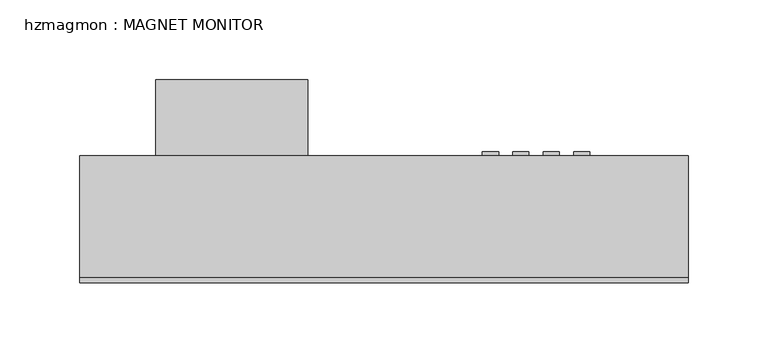
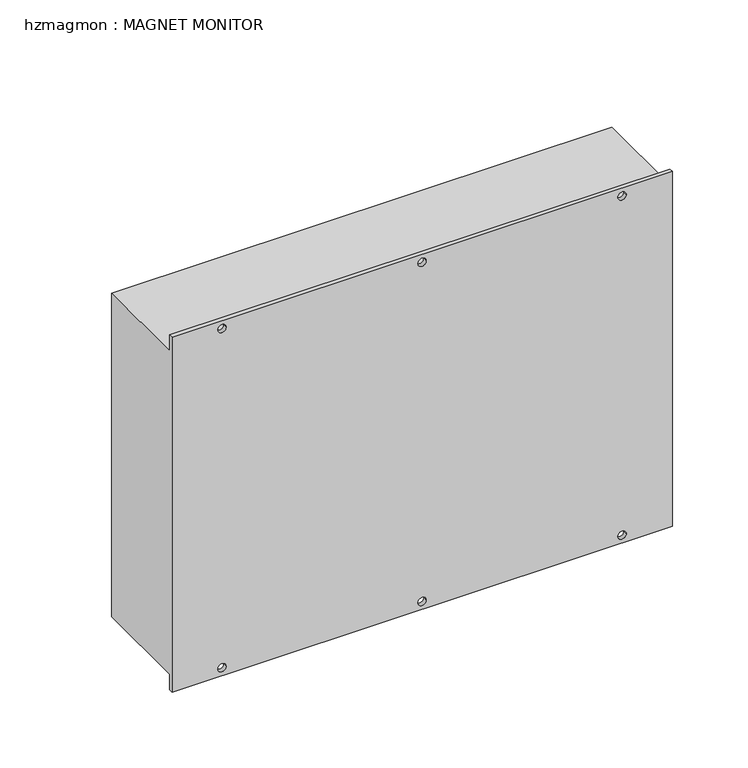
"""IFC4 building model written with IfcOpenShell, lengths in millimetres: proxy geometry, hzmagmon : MAGNET MONITOR."""

from ifc_helpers import new_model, si_unit, frame, origin, place, context, project, spatial, polyline, circle_curve, outline, extrude, source, transform, mapped, element, save
from ifc_brep_helpers import plane_surface, revolved_surface, advanced_brep


def hzmagmon_magnet_monitor_0e3613af(model_context):
    return source(origin(), model_context, "Body", "SolidModel", [
        advanced_brep(
        [(190.5, 0.0, 1682.75), (190.5, 0.0, 1397.0), (190.5, 3.175, 1397.0), (190.5, 3.175, 1409.7), (190.5, 79.375, 1409.7), (190.5, 79.375, 1670.05), (190.5, 3.175, 1670.05), (190.5, 3.175, 1682.75), (-190.5, 0.0, 1682.75), (-190.5, 3.175, 1682.75), (-190.5, 3.175, 1670.05), (-190.5, 79.375, 1670.05), (-190.5, 79.375, 1409.7), (-190.5, 3.175, 1409.7), (-190.5, 3.175, 1397.0), (-190.5, 0.0, 1397.0), (-149.225, 3.175, 1676.4), (-155.575, 3.175, 1676.4), (3.175, 3.175, 1676.4), (-3.175, 3.175, 1676.4), (149.225, 3.175, 1676.4), (155.575, 3.175, 1676.4), (149.225, 3.175, 1403.35), (155.575, 3.175, 1403.35), (3.175, 3.175, 1403.35), (-3.175, 3.175, 1403.35), (-149.225, 3.175, 1403.35), (-155.575, 3.175, 1403.35), (-155.575, 0.0, 1676.4), (-149.225, 0.0, 1676.4), (-3.175, 0.0, 1676.4), (3.175, 0.0, 1676.4), (155.575, 0.0, 1676.4), (149.225, 0.0, 1676.4), (155.575, 0.0, 1403.35), (149.225, 0.0, 1403.35), (-3.175, 0.0, 1403.35), (3.175, 0.0, 1403.35), (-155.575, 0.0, 1403.35), (-149.225, 0.0, 1403.35), (130.175, 79.375, 1574.8), (130.175, 79.375, 1593.85), (60.325, 79.375, 1593.85), (60.325, 79.375, 1574.8), (73.025, 79.375, 1568.45), (60.325, 79.375, 1568.45), (60.325, 79.375, 1555.75), (73.025, 79.375, 1555.75), (79.375, 79.375, 1555.75), (92.075, 79.375, 1555.75), (92.075, 79.375, 1568.45), (79.375, 79.375, 1568.45), (98.425, 79.375, 1555.75), (111.125, 79.375, 1555.75), (111.125, 79.375, 1568.45), (98.425, 79.375, 1568.45), (117.475, 79.375, 1555.75), (130.175, 79.375, 1555.75), (130.175, 79.375, 1568.45), (117.475, 79.375, 1568.45), (117.475, 79.375, 1536.7), (130.175, 79.375, 1536.7), (130.175, 79.375, 1549.4), (117.475, 79.375, 1549.4), (111.125, 79.375, 1549.4), (98.425, 79.375, 1549.4), (98.425, 79.375, 1536.7), (111.125, 79.375, 1536.7), (92.075, 79.375, 1549.4), (79.375, 79.375, 1549.4), (79.375, 79.375, 1536.7), (92.075, 79.375, 1536.7), (73.025, 79.375, 1549.4), (60.325, 79.375, 1549.4), (60.325, 79.375, 1536.7), (73.025, 79.375, 1536.7), (73.025, 79.375, 1530.35), (60.325, 79.375, 1530.35), (60.325, 79.375, 1517.65), (73.025, 79.375, 1517.65), (73.025, 79.375, 1511.3), (60.325, 79.375, 1511.3), (60.325, 79.375, 1498.6), (73.025, 79.375, 1498.6), (79.375, 79.375, 1498.6), (92.075, 79.375, 1498.6), (92.075, 79.375, 1511.3), (79.375, 79.375, 1511.3), (98.425, 79.375, 1498.6), (111.125, 79.375, 1498.6), (111.125, 79.375, 1511.3), (98.425, 79.375, 1511.3), (92.075, 79.375, 1530.35), (79.375, 79.375, 1530.35), (79.375, 79.375, 1517.65), (92.075, 79.375, 1517.65), (98.425, 79.375, 1517.65), (111.125, 79.375, 1517.65), (111.125, 79.375, 1530.35), (98.425, 79.375, 1530.35), (117.475, 79.375, 1517.65), (130.175, 79.375, 1517.65), (130.175, 79.375, 1530.35), (117.475, 79.375, 1530.35), (117.475, 79.375, 1511.3), (117.475, 79.375, 1498.6), (130.175, 79.375, 1498.6), (130.175, 79.375, 1511.3), (-142.875, 79.375, 1562.1), (-142.875, 79.375, 1504.95), (-47.625, 79.375, 1504.95), (-47.625, 79.375, 1562.1), (60.325, 76.5525764, 1574.8), (60.325, 76.5525764, 1593.85), (130.175, 76.5525764, 1593.85), (130.175, 76.5525764, 1574.8), (73.025, 76.5525764, 1555.75), (60.325, 76.5525764, 1555.75), (60.325, 76.5525764, 1568.45), (73.025, 76.5525764, 1568.45), (79.375, 76.5525764, 1568.45), (92.075, 76.5525764, 1568.45), (92.075, 76.5525764, 1555.75), (79.375, 76.5525764, 1555.75), (98.425, 76.5525764, 1568.45), (111.125, 76.5525764, 1568.45), (111.125, 76.5525764, 1555.75), (98.425, 76.5525764, 1555.75), (117.475, 76.5525764, 1568.45), (130.175, 76.5525764, 1568.45), (130.175, 76.5525764, 1555.75), (117.475, 76.5525764, 1555.75), (117.475, 76.5525764, 1549.4), (130.175, 76.5525764, 1549.4), (130.175, 76.5525764, 1536.7), (117.475, 76.5525764, 1536.7), (111.125, 76.5525764, 1536.7), (98.425, 76.5525764, 1536.7), (98.425, 76.5525764, 1549.4), (111.125, 76.5525764, 1549.4), (92.075, 76.5525764, 1536.7), (79.375, 76.5525764, 1536.7), (79.375, 76.5525764, 1549.4), (92.075, 76.5525764, 1549.4), (73.025, 76.5525764, 1536.7), (60.325, 76.5525764, 1536.7), (60.325, 76.5525764, 1549.4), (73.025, 76.5525764, 1549.4), (73.025, 76.5525764, 1517.65), (60.325, 76.5525764, 1517.65), (60.325, 76.5525764, 1530.35), (73.025, 76.5525764, 1530.35), (73.025, 76.5525764, 1498.6), (60.325, 76.5525764, 1498.6), (60.325, 76.5525764, 1511.3), (73.025, 76.5525764, 1511.3), (79.375, 76.5525764, 1511.3), (92.075, 76.5525764, 1511.3), (92.075, 76.5525764, 1498.6), (79.375, 76.5525764, 1498.6), (98.425, 76.5525764, 1511.3), (111.125, 76.5525764, 1511.3), (111.125, 76.5525764, 1498.6), (98.425, 76.5525764, 1498.6), (92.075, 76.5525764, 1517.65), (79.375, 76.5525764, 1517.65), (79.375, 76.5525764, 1530.35), (92.075, 76.5525764, 1530.35), (98.425, 76.5525764, 1530.35), (111.125, 76.5525764, 1530.35), (111.125, 76.5525764, 1517.65), (98.425, 76.5525764, 1517.65), (117.475, 76.5525764, 1530.35), (130.175, 76.5525764, 1530.35), (130.175, 76.5525764, 1517.65), (117.475, 76.5525764, 1517.65), (130.175, 76.5525764, 1511.3), (130.175, 76.5525764, 1498.6), (117.475, 76.5525764, 1498.6), (117.475, 76.5525764, 1511.3), (-47.625, 127.0, 1562.1), (-47.625, 127.0, 1504.95), (-142.875, 127.0, 1504.95), (-142.875, 127.0, 1562.1)],
        [
            (0, 1),
            (1, 2),
            (2, 3),
            (3, 4),
            (4, 5),
            (5, 6),
            (6, 7),
            (7, 0),
            (8, 9),
            (9, 10),
            (10, 11),
            (11, 12),
            (12, 13),
            (13, 14),
            (14, 15),
            (15, 8),
            (7, 9),
            (8, 0),
            (6, 10),
            (16, 17, circle_curve(frame((-152.4, 3.175, 1676.4), z_axis=(0.0, -1.0, 0.0), x_axis=(1.0, 0.0, 0.0)), 3.175)),
            (17, 16, circle_curve(frame((-152.4, 3.175, 1676.4), z_axis=(0.0, -1.0, 0.0), x_axis=(1.0, 0.0, 0.0)), 3.175)),
            (18, 19, circle_curve(frame((0.0, 3.175, 1676.4), z_axis=(0.0, -1.0, 0.0), x_axis=(1.0, 0.0, 0.0)), 3.175)),
            (19, 18, circle_curve(frame((0.0, 3.175, 1676.4), z_axis=(0.0, -1.0, 0.0), x_axis=(1.0, 0.0, 0.0)), 3.175)),
            (20, 21, circle_curve(frame((152.4, 3.175, 1676.4), z_axis=(0.0, -1.0, 0.0), x_axis=(-1.0, 0.0, 0.0)), 3.175)),
            (21, 20, circle_curve(frame((152.4, 3.175, 1676.4), z_axis=(0.0, -1.0, 0.0), x_axis=(-1.0, 0.0, 0.0)), 3.175)),
            (13, 3),
            (2, 14),
            (22, 23, circle_curve(frame((152.4, 3.175, 1403.35), z_axis=(0.0, -1.0, 0.0), x_axis=(-1.0, 0.0, 0.0)), 3.175)),
            (23, 22, circle_curve(frame((152.4, 3.175, 1403.35), z_axis=(0.0, -1.0, 0.0), x_axis=(-1.0, 0.0, 0.0)), 3.175)),
            (24, 25, circle_curve(frame((0.0, 3.175, 1403.35), z_axis=(0.0, -1.0, 0.0), x_axis=(1.0, 0.0, 0.0)), 3.175)),
            (25, 24, circle_curve(frame((0.0, 3.175, 1403.35), z_axis=(0.0, -1.0, 0.0), x_axis=(1.0, 0.0, 0.0)), 3.175)),
            (26, 27, circle_curve(frame((-152.4, 3.175, 1403.35), z_axis=(0.0, -1.0, 0.0), x_axis=(1.0, 0.0, 0.0)), 3.175)),
            (27, 26, circle_curve(frame((-152.4, 3.175, 1403.35), z_axis=(0.0, -1.0, 0.0), x_axis=(1.0, 0.0, 0.0)), 3.175)),
            (1, 15),
            (28, 29, circle_curve(frame((-152.4, 0.0, 1676.4), z_axis=(0.0, 1.0, 0.0), x_axis=(1.0, 0.0, 0.0)), 3.175)),
            (29, 28, circle_curve(frame((-152.4, 0.0, 1676.4), z_axis=(0.0, 1.0, 0.0), x_axis=(1.0, 0.0, 0.0)), 3.175)),
            (30, 31, circle_curve(frame((0.0, 0.0, 1676.4), z_axis=(0.0, 1.0, 0.0), x_axis=(1.0, 0.0, 0.0)), 3.175)),
            (31, 30, circle_curve(frame((0.0, 0.0, 1676.4), z_axis=(0.0, 1.0, 0.0), x_axis=(1.0, 0.0, 0.0)), 3.175)),
            (32, 33, circle_curve(frame((152.4, 0.0, 1676.4), z_axis=(0.0, 1.0, 0.0), x_axis=(-1.0, 0.0, 0.0)), 3.175)),
            (33, 32, circle_curve(frame((152.4, 0.0, 1676.4), z_axis=(0.0, 1.0, 0.0), x_axis=(-1.0, 0.0, 0.0)), 3.175)),
            (34, 35, circle_curve(frame((152.4, 0.0, 1403.35), z_axis=(0.0, 1.0, 0.0), x_axis=(-1.0, 0.0, 0.0)), 3.175)),
            (35, 34, circle_curve(frame((152.4, 0.0, 1403.35), z_axis=(0.0, 1.0, 0.0), x_axis=(-1.0, 0.0, 0.0)), 3.175)),
            (36, 37, circle_curve(frame((0.0, 0.0, 1403.35), z_axis=(0.0, 1.0, 0.0), x_axis=(1.0, 0.0, 0.0)), 3.175)),
            (37, 36, circle_curve(frame((0.0, 0.0, 1403.35), z_axis=(0.0, 1.0, 0.0), x_axis=(1.0, 0.0, 0.0)), 3.175)),
            (38, 39, circle_curve(frame((-152.4, 0.0, 1403.35), z_axis=(0.0, 1.0, 0.0), x_axis=(1.0, 0.0, 0.0)), 3.175)),
            (39, 38, circle_curve(frame((-152.4, 0.0, 1403.35), z_axis=(0.0, 1.0, 0.0), x_axis=(1.0, 0.0, 0.0)), 3.175)),
            (4, 12),
            (11, 5),
            (40, 41),
            (41, 42),
            (42, 43),
            (43, 40),
            (44, 45),
            (45, 46),
            (46, 47),
            (47, 44),
            (48, 49),
            (49, 50),
            (50, 51),
            (51, 48),
            (52, 53),
            (53, 54),
            (54, 55),
            (55, 52),
            (56, 57),
            (57, 58),
            (58, 59),
            (59, 56),
            (60, 61),
            (61, 62),
            (62, 63),
            (63, 60),
            (64, 65),
            (65, 66),
            (66, 67),
            (67, 64),
            (68, 69),
            (69, 70),
            (70, 71),
            (71, 68),
            (72, 73),
            (73, 74),
            (74, 75),
            (75, 72),
            (76, 77),
            (77, 78),
            (78, 79),
            (79, 76),
            (80, 81),
            (81, 82),
            (82, 83),
            (83, 80),
            (84, 85),
            (85, 86),
            (86, 87),
            (87, 84),
            (88, 89),
            (89, 90),
            (90, 91),
            (91, 88),
            (92, 93),
            (93, 94),
            (94, 95),
            (95, 92),
            (96, 97),
            (97, 98),
            (98, 99),
            (99, 96),
            (100, 101),
            (101, 102),
            (102, 103),
            (103, 100),
            (104, 105),
            (105, 106),
            (106, 107),
            (107, 104),
            (108, 109),
            (109, 110),
            (110, 111),
            (111, 108),
            (112, 113),
            (113, 114),
            (114, 115),
            (115, 112),
            (116, 117),
            (117, 118),
            (118, 119),
            (119, 116),
            (120, 121),
            (121, 122),
            (122, 123),
            (123, 120),
            (124, 125),
            (125, 126),
            (126, 127),
            (127, 124),
            (128, 129),
            (129, 130),
            (130, 131),
            (131, 128),
            (132, 133),
            (133, 134),
            (134, 135),
            (135, 132),
            (136, 137),
            (137, 138),
            (138, 139),
            (139, 136),
            (140, 141),
            (141, 142),
            (142, 143),
            (143, 140),
            (144, 145),
            (145, 146),
            (146, 147),
            (147, 144),
            (148, 149),
            (149, 150),
            (150, 151),
            (151, 148),
            (152, 153),
            (153, 154),
            (154, 155),
            (155, 152),
            (156, 157),
            (157, 158),
            (158, 159),
            (159, 156),
            (160, 161),
            (161, 162),
            (162, 163),
            (163, 160),
            (164, 165),
            (165, 166),
            (166, 167),
            (167, 164),
            (168, 169),
            (169, 170),
            (170, 171),
            (171, 168),
            (172, 173),
            (173, 174),
            (174, 175),
            (175, 172),
            (176, 177),
            (177, 178),
            (178, 179),
            (179, 176),
            (115, 40),
            (43, 112),
            (114, 41),
            (113, 42),
            (119, 44),
            (47, 116),
            (118, 45),
            (117, 46),
            (123, 48),
            (51, 120),
            (122, 49),
            (121, 50),
            (127, 52),
            (55, 124),
            (126, 53),
            (125, 54),
            (131, 56),
            (59, 128),
            (130, 57),
            (129, 58),
            (135, 60),
            (63, 132),
            (134, 61),
            (133, 62),
            (139, 64),
            (67, 136),
            (138, 65),
            (137, 66),
            (143, 68),
            (71, 140),
            (142, 69),
            (141, 70),
            (147, 72),
            (75, 144),
            (146, 73),
            (145, 74),
            (151, 76),
            (79, 148),
            (150, 77),
            (149, 78),
            (155, 80),
            (83, 152),
            (154, 81),
            (153, 82),
            (159, 84),
            (87, 156),
            (158, 85),
            (157, 86),
            (163, 88),
            (91, 160),
            (162, 89),
            (161, 90),
            (167, 92),
            (95, 164),
            (166, 93),
            (165, 94),
            (171, 96),
            (99, 168),
            (170, 97),
            (169, 98),
            (175, 100),
            (103, 172),
            (174, 101),
            (173, 102),
            (179, 104),
            (107, 176),
            (178, 105),
            (177, 106),
            (180, 181),
            (181, 182),
            (182, 183),
            (183, 180),
            (183, 108),
            (111, 180),
            (182, 109),
            (181, 110),
            (17, 28),
            (29, 16),
            (19, 30),
            (31, 18),
            (21, 32),
            (33, 20),
            (23, 34),
            (35, 22),
            (25, 36),
            (37, 24),
            (27, 38),
            (39, 26),
        ],
        [
            plane_surface(frame((190.5, 3.175, 1682.75), z_axis=(1.0, 0.0, 0.0), x_axis=(0.0, 1.0, 0.0))),
            plane_surface(frame((-190.5, 3.175, 1682.75), z_axis=(-1.0, 0.0, 0.0), x_axis=(0.0, -1.0, 0.0))),
            plane_surface(frame((190.5, 0.0, 1682.75), z_axis=(0.0, 0.0, 1.0), x_axis=(-1.0, 0.0, 0.0))),
            plane_surface(frame((190.5, 3.175, 1682.75), z_axis=(0.0, 1.0, 0.0), x_axis=(-1.0, 0.0, 0.0))),
            plane_surface(frame((190.5, 3.175, 1397.0), z_axis=(0.0, 0.0, -1.0), x_axis=(-1.0, 0.0, 0.0))),
            plane_surface(frame((190.5, 0.0, 1397.0), z_axis=(0.0, -1.0, 0.0), x_axis=(-1.0, 0.0, 0.0))),
            plane_surface(frame((-190.5, 79.375, 1670.05), z_axis=(0.0, 1.0, 0.0), x_axis=(-1.0, 0.0, 0.0))),
            plane_surface(frame((190.5, 79.375, 1670.05), z_axis=(0.0, 0.0, 1.0), x_axis=(0.0, -1.0, 0.0))),
            plane_surface(frame((-190.5, 79.375, 1409.7), z_axis=(0.0, 0.0, -1.0), x_axis=(0.0, -1.0, 0.0))),
            plane_surface(frame((130.175, 76.5525764, 1574.8), z_axis=(0.0, 1.0, 0.0), x_axis=(-1.0, 0.0, 0.0))),
            plane_surface(frame((60.325, 79.375, 1574.8), z_axis=(0.0, 0.0, 1.0), x_axis=(0.0, -1.0, 0.0))),
            plane_surface(frame((130.175, 79.375, 1574.8), z_axis=(-1.0, 0.0, 0.0), x_axis=(0.0, -1.0, 0.0))),
            plane_surface(frame((130.175, 79.375, 1593.85), z_axis=(0.0, 0.0, -1.0), x_axis=(0.0, -1.0, 0.0))),
            plane_surface(frame((60.325, 79.375, 1593.85), z_axis=(1.0, 0.0, 0.0), x_axis=(0.0, -1.0, 0.0))),
            plane_surface(frame((73.025, 79.375, 1555.75), z_axis=(-1.0, 0.0, 0.0), x_axis=(0.0, -1.0, 0.0))),
            plane_surface(frame((73.025, 79.375, 1568.45), z_axis=(0.0, 0.0, -1.0), x_axis=(0.0, -1.0, 0.0))),
            plane_surface(frame((60.325, 79.375, 1568.45), z_axis=(1.0, 0.0, 0.0), x_axis=(0.0, -1.0, 0.0))),
            plane_surface(frame((60.325, 79.375, 1555.75), z_axis=(0.0, 0.0, 1.0), x_axis=(0.0, -1.0, 0.0))),
            plane_surface(frame((79.375, 79.375, 1568.45), z_axis=(1.0, 0.0, 0.0), x_axis=(0.0, -1.0, 0.0))),
            plane_surface(frame((79.375, 79.375, 1555.75), z_axis=(0.0, 0.0, 1.0), x_axis=(0.0, -1.0, 0.0))),
            plane_surface(frame((92.075, 79.375, 1555.75), z_axis=(-1.0, 0.0, 0.0), x_axis=(0.0, -1.0, 0.0))),
            plane_surface(frame((92.075, 79.375, 1568.45), z_axis=(0.0, 0.0, -1.0), x_axis=(0.0, -1.0, 0.0))),
            plane_surface(frame((98.425, 79.375, 1568.45), z_axis=(1.0, 0.0, 0.0), x_axis=(0.0, -1.0, 0.0))),
            plane_surface(frame((98.425, 79.375, 1555.75), z_axis=(0.0, 0.0, 1.0), x_axis=(0.0, -1.0, 0.0))),
            plane_surface(frame((111.125, 79.375, 1555.75), z_axis=(-1.0, 0.0, 0.0), x_axis=(0.0, -1.0, 0.0))),
            plane_surface(frame((111.125, 79.375, 1568.45), z_axis=(0.0, 0.0, -1.0), x_axis=(0.0, -1.0, 0.0))),
            plane_surface(frame((117.475, 79.375, 1568.45), z_axis=(1.0, 0.0, 0.0), x_axis=(0.0, -1.0, 0.0))),
            plane_surface(frame((117.475, 79.375, 1555.75), z_axis=(0.0, 0.0, 1.0), x_axis=(0.0, -1.0, 0.0))),
            plane_surface(frame((130.175, 79.375, 1555.75), z_axis=(-1.0, 0.0, 0.0), x_axis=(0.0, -1.0, 0.0))),
            plane_surface(frame((130.175, 79.375, 1568.45), z_axis=(0.0, 0.0, -1.0), x_axis=(0.0, -1.0, 0.0))),
            plane_surface(frame((117.475, 79.375, 1549.4), z_axis=(1.0, 0.0, 0.0), x_axis=(0.0, -1.0, 0.0))),
            plane_surface(frame((117.475, 79.375, 1536.7), z_axis=(0.0, 0.0, 1.0), x_axis=(0.0, -1.0, 0.0))),
            plane_surface(frame((130.175, 79.375, 1536.7), z_axis=(-1.0, 0.0, 0.0), x_axis=(0.0, -1.0, 0.0))),
            plane_surface(frame((130.175, 79.375, 1549.4), z_axis=(0.0, 0.0, -1.0), x_axis=(0.0, -1.0, 0.0))),
            plane_surface(frame((111.125, 79.375, 1536.7), z_axis=(-1.0, 0.0, 0.0), x_axis=(0.0, -1.0, 0.0))),
            plane_surface(frame((111.125, 79.375, 1549.4), z_axis=(0.0, 0.0, -1.0), x_axis=(0.0, -1.0, 0.0))),
            plane_surface(frame((98.425, 79.375, 1549.4), z_axis=(1.0, 0.0, 0.0), x_axis=(0.0, -1.0, 0.0))),
            plane_surface(frame((98.425, 79.375, 1536.7), z_axis=(0.0, 0.0, 1.0), x_axis=(0.0, -1.0, 0.0))),
            plane_surface(frame((92.075, 79.375, 1536.7), z_axis=(-1.0, 0.0, 0.0), x_axis=(0.0, -1.0, 0.0))),
            plane_surface(frame((92.075, 79.375, 1549.4), z_axis=(0.0, 0.0, -1.0), x_axis=(0.0, -1.0, 0.0))),
            plane_surface(frame((79.375, 79.375, 1549.4), z_axis=(1.0, 0.0, 0.0), x_axis=(0.0, -1.0, 0.0))),
            plane_surface(frame((79.375, 79.375, 1536.7), z_axis=(0.0, 0.0, 1.0), x_axis=(0.0, -1.0, 0.0))),
            plane_surface(frame((73.025, 79.375, 1536.7), z_axis=(-1.0, 0.0, 0.0), x_axis=(0.0, -1.0, 0.0))),
            plane_surface(frame((73.025, 79.375, 1549.4), z_axis=(0.0, 0.0, -1.0), x_axis=(0.0, -1.0, 0.0))),
            plane_surface(frame((60.325, 79.375, 1549.4), z_axis=(1.0, 0.0, 0.0), x_axis=(0.0, -1.0, 0.0))),
            plane_surface(frame((60.325, 79.375, 1536.7), z_axis=(0.0, 0.0, 1.0), x_axis=(0.0, -1.0, 0.0))),
            plane_surface(frame((73.025, 79.375, 1517.65), z_axis=(-1.0, 0.0, 0.0), x_axis=(0.0, -1.0, 0.0))),
            plane_surface(frame((73.025, 79.375, 1530.35), z_axis=(0.0, 0.0, -1.0), x_axis=(0.0, -1.0, 0.0))),
            plane_surface(frame((60.325, 79.375, 1530.35), z_axis=(1.0, 0.0, 0.0), x_axis=(0.0, -1.0, 0.0))),
            plane_surface(frame((60.325, 79.375, 1517.65), z_axis=(0.0, 0.0, 1.0), x_axis=(0.0, -1.0, 0.0))),
            plane_surface(frame((73.025, 79.375, 1498.6), z_axis=(-1.0, 0.0, 0.0), x_axis=(0.0, -1.0, 0.0))),
            plane_surface(frame((73.025, 79.375, 1511.3), z_axis=(0.0, 0.0, -1.0), x_axis=(0.0, -1.0, 0.0))),
            plane_surface(frame((60.325, 79.375, 1511.3), z_axis=(1.0, 0.0, 0.0), x_axis=(0.0, -1.0, 0.0))),
            plane_surface(frame((60.325, 79.375, 1498.6), z_axis=(0.0, 0.0, 1.0), x_axis=(0.0, -1.0, 0.0))),
            plane_surface(frame((79.375, 79.375, 1511.3), z_axis=(1.0, 0.0, 0.0), x_axis=(0.0, -1.0, 0.0))),
            plane_surface(frame((79.375, 79.375, 1498.6), z_axis=(0.0, 0.0, 1.0), x_axis=(0.0, -1.0, 0.0))),
            plane_surface(frame((92.075, 79.375, 1498.6), z_axis=(-1.0, 0.0, 0.0), x_axis=(0.0, -1.0, 0.0))),
            plane_surface(frame((92.075, 79.375, 1511.3), z_axis=(0.0, 0.0, -1.0), x_axis=(0.0, -1.0, 0.0))),
            plane_surface(frame((98.425, 79.375, 1511.3), z_axis=(1.0, 0.0, 0.0), x_axis=(0.0, -1.0, 0.0))),
            plane_surface(frame((98.425, 79.375, 1498.6), z_axis=(0.0, 0.0, 1.0), x_axis=(0.0, -1.0, 0.0))),
            plane_surface(frame((111.125, 79.375, 1498.6), z_axis=(-1.0, 0.0, 0.0), x_axis=(0.0, -1.0, 0.0))),
            plane_surface(frame((111.125, 79.375, 1511.3), z_axis=(0.0, 0.0, -1.0), x_axis=(0.0, -1.0, 0.0))),
            plane_surface(frame((92.075, 79.375, 1517.65), z_axis=(-1.0, 0.0, 0.0), x_axis=(0.0, -1.0, 0.0))),
            plane_surface(frame((92.075, 79.375, 1530.35), z_axis=(0.0, 0.0, -1.0), x_axis=(0.0, -1.0, 0.0))),
            plane_surface(frame((79.375, 79.375, 1530.35), z_axis=(1.0, 0.0, 0.0), x_axis=(0.0, -1.0, 0.0))),
            plane_surface(frame((79.375, 79.375, 1517.65), z_axis=(0.0, 0.0, 1.0), x_axis=(0.0, -1.0, 0.0))),
            plane_surface(frame((98.425, 79.375, 1530.35), z_axis=(1.0, 0.0, 0.0), x_axis=(0.0, -1.0, 0.0))),
            plane_surface(frame((98.425, 79.375, 1517.65), z_axis=(0.0, 0.0, 1.0), x_axis=(0.0, -1.0, 0.0))),
            plane_surface(frame((111.125, 79.375, 1517.65), z_axis=(-1.0, 0.0, 0.0), x_axis=(0.0, -1.0, 0.0))),
            plane_surface(frame((111.125, 79.375, 1530.35), z_axis=(0.0, 0.0, -1.0), x_axis=(0.0, -1.0, 0.0))),
            plane_surface(frame((117.475, 79.375, 1530.35), z_axis=(1.0, 0.0, 0.0), x_axis=(0.0, -1.0, 0.0))),
            plane_surface(frame((117.475, 79.375, 1517.65), z_axis=(0.0, 0.0, 1.0), x_axis=(0.0, -1.0, 0.0))),
            plane_surface(frame((130.175, 79.375, 1517.65), z_axis=(-1.0, 0.0, 0.0), x_axis=(0.0, -1.0, 0.0))),
            plane_surface(frame((130.175, 79.375, 1530.35), z_axis=(0.0, 0.0, -1.0), x_axis=(0.0, -1.0, 0.0))),
            plane_surface(frame((130.175, 79.375, 1511.3), z_axis=(0.0, 0.0, -1.0), x_axis=(0.0, -1.0, 0.0))),
            plane_surface(frame((117.475, 79.375, 1511.3), z_axis=(1.0, 0.0, 0.0), x_axis=(0.0, -1.0, 0.0))),
            plane_surface(frame((117.475, 79.375, 1498.6), z_axis=(0.0, 0.0, 1.0), x_axis=(0.0, -1.0, 0.0))),
            plane_surface(frame((130.175, 79.375, 1498.6), z_axis=(-1.0, 0.0, 0.0), x_axis=(0.0, -1.0, 0.0))),
            plane_surface(frame((-142.875, 127.0, 1562.1), z_axis=(0.0, 1.0, 0.0), x_axis=(-1.0, 0.0, 0.0))),
            plane_surface(frame((-47.625, 127.0, 1562.1), z_axis=(0.0, 0.0, 1.0), x_axis=(0.0, -1.0, 0.0))),
            plane_surface(frame((-142.875, 127.0, 1562.1), z_axis=(-1.0, 0.0, 0.0), x_axis=(0.0, -1.0, 0.0))),
            plane_surface(frame((-142.875, 127.0, 1504.95), z_axis=(0.0, 0.0, -1.0), x_axis=(0.0, -1.0, 0.0))),
            plane_surface(frame((-47.625, 127.0, 1504.95), z_axis=(1.0, 0.0, 0.0), x_axis=(0.0, -1.0, 0.0))),
            revolved_surface(polyline([(-149.225, 3.175, 1676.4), (-149.225, 0.0, 1676.4)]), (-152.4, 0.0, 1676.4), (0.0, 1.0, 0.0)),
            revolved_surface(polyline([(3.175, 3.175, 1676.4), (3.175, 0.0, 1676.4)]), (0.0, 0.0, 1676.4), (0.0, 1.0, 0.0)),
            revolved_surface(polyline([(149.225, 3.175, 1676.4), (149.225, 0.0, 1676.4)]), (152.4, 0.0, 1676.4), (0.0, 1.0, 0.0)),
            revolved_surface(polyline([(149.225, 3.175, 1403.35), (149.225, 0.0, 1403.35)]), (152.4, 0.0, 1403.35), (0.0, 1.0, 0.0)),
            revolved_surface(polyline([(3.175, 3.175, 1403.35), (3.175, 0.0, 1403.35)]), (0.0, 0.0, 1403.35), (0.0, 1.0, 0.0)),
            revolved_surface(polyline([(-149.225, 3.175, 1403.35), (-149.225, 0.0, 1403.35)]), (-152.4, 0.0, 1403.35), (0.0, 1.0, 0.0)),
        ],
        [
            (0, [[1, 2, 3, 4, 5, 6, 7, 8]]),
            (1, [[9, 10, 11, 12, 13, 14, 15, 16]]),
            (2, [[17, -9, 18, -8]]),
            (3, [[-7, 19, -10, -17], [20, 21], [22, 23], [24, 25]]),
            (3, [[-14, 26, -3, 27], [28, 29], [30, 31], [32, 33]]),
            (4, [[34, -15, -27, -2]]),
            (5, [[-18, -16, -34, -1], [35, 36], [37, 38], [39, 40], [41, 42], [43, 44], [45, 46]]),
            (6, [[-5, 47, -12, 48], [49, 50, 51, 52], [53, 54, 55, 56], [57, 58, 59, 60], [61, 62, 63, 64], [65, 66, 67, 68], [69, 70, 71, 72], [73, 74, 75, 76], [77, 78, 79, 80], [81, 82, 83, 84], [85, 86, 87, 88], [89, 90, 91, 92], [93, 94, 95, 96], [97, 98, 99, 100], [101, 102, 103, 104], [105, 106, 107, 108], [109, 110, 111, 112], [113, 114, 115, 116], [117, 118, 119, 120]]),
            (7, [[-11, -19, -6, -48]]),
            (8, [[-4, -26, -13, -47]]),
            (9, [[121, 122, 123, 124]]),
            (9, [[125, 126, 127, 128]]),
            (9, [[129, 130, 131, 132]]),
            (9, [[133, 134, 135, 136]]),
            (9, [[137, 138, 139, 140]]),
            (9, [[141, 142, 143, 144]]),
            (9, [[145, 146, 147, 148]]),
            (9, [[149, 150, 151, 152]]),
            (9, [[153, 154, 155, 156]]),
            (9, [[157, 158, 159, 160]]),
            (9, [[161, 162, 163, 164]]),
            (9, [[165, 166, 167, 168]]),
            (9, [[169, 170, 171, 172]]),
            (9, [[173, 174, 175, 176]]),
            (9, [[177, 178, 179, 180]]),
            (9, [[181, 182, 183, 184]]),
            (9, [[185, 186, 187, 188]]),
            (10, [[189, -52, 190, -124]]),
            (11, [[191, -49, -189, -123]]),
            (12, [[192, -50, -191, -122]]),
            (13, [[-190, -51, -192, -121]]),
            (14, [[193, -56, 194, -128]]),
            (15, [[195, -53, -193, -127]]),
            (16, [[196, -54, -195, -126]]),
            (17, [[-194, -55, -196, -125]]),
            (18, [[197, -60, 198, -132]]),
            (19, [[199, -57, -197, -131]]),
            (20, [[200, -58, -199, -130]]),
            (21, [[-198, -59, -200, -129]]),
            (22, [[201, -64, 202, -136]]),
            (23, [[203, -61, -201, -135]]),
            (24, [[204, -62, -203, -134]]),
            (25, [[-202, -63, -204, -133]]),
            (26, [[205, -68, 206, -140]]),
            (27, [[207, -65, -205, -139]]),
            (28, [[208, -66, -207, -138]]),
            (29, [[-206, -67, -208, -137]]),
            (30, [[209, -72, 210, -144]]),
            (31, [[211, -69, -209, -143]]),
            (32, [[212, -70, -211, -142]]),
            (33, [[-210, -71, -212, -141]]),
            (34, [[213, -76, 214, -148]]),
            (35, [[215, -73, -213, -147]]),
            (36, [[216, -74, -215, -146]]),
            (37, [[-214, -75, -216, -145]]),
            (38, [[217, -80, 218, -152]]),
            (39, [[219, -77, -217, -151]]),
            (40, [[220, -78, -219, -150]]),
            (41, [[-218, -79, -220, -149]]),
            (42, [[221, -84, 222, -156]]),
            (43, [[223, -81, -221, -155]]),
            (44, [[224, -82, -223, -154]]),
            (45, [[-222, -83, -224, -153]]),
            (46, [[225, -88, 226, -160]]),
            (47, [[227, -85, -225, -159]]),
            (48, [[228, -86, -227, -158]]),
            (49, [[-226, -87, -228, -157]]),
            (50, [[229, -92, 230, -164]]),
            (51, [[231, -89, -229, -163]]),
            (52, [[232, -90, -231, -162]]),
            (53, [[-230, -91, -232, -161]]),
            (54, [[233, -96, 234, -168]]),
            (55, [[235, -93, -233, -167]]),
            (56, [[236, -94, -235, -166]]),
            (57, [[-234, -95, -236, -165]]),
            (58, [[237, -100, 238, -172]]),
            (59, [[239, -97, -237, -171]]),
            (60, [[240, -98, -239, -170]]),
            (61, [[-238, -99, -240, -169]]),
            (62, [[241, -104, 242, -176]]),
            (63, [[243, -101, -241, -175]]),
            (64, [[244, -102, -243, -174]]),
            (65, [[-242, -103, -244, -173]]),
            (66, [[245, -108, 246, -180]]),
            (67, [[247, -105, -245, -179]]),
            (68, [[248, -106, -247, -178]]),
            (69, [[-246, -107, -248, -177]]),
            (70, [[249, -112, 250, -184]]),
            (71, [[251, -109, -249, -183]]),
            (72, [[252, -110, -251, -182]]),
            (73, [[-250, -111, -252, -181]]),
            (74, [[253, -116, 254, -188]]),
            (75, [[255, -113, -253, -187]]),
            (76, [[256, -114, -255, -186]]),
            (77, [[-254, -115, -256, -185]]),
            (78, [[257, 258, 259, 260]]),
            (79, [[261, -120, 262, -260]]),
            (80, [[263, -117, -261, -259]]),
            (81, [[264, -118, -263, -258]]),
            (82, [[-262, -119, -264, -257]]),
            (83, [[-21, 265, -36, 266]]),
            (83, [[-35, -265, -20, -266]]),
            (84, [[-23, 267, -38, 268]]),
            (84, [[-37, -267, -22, -268]]),
            (85, [[-25, 269, -40, 270]]),
            (85, [[-39, -269, -24, -270]]),
            (86, [[-29, 271, -42, 272]]),
            (86, [[-41, -271, -28, -272]]),
            (87, [[-31, 273, -44, 274]]),
            (87, [[-43, -273, -30, -274]]),
            (88, [[-33, 275, -46, 276]]),
            (88, [[-45, -275, -32, -276]]),
        ],
    ),
        extrude(outline(polyline([(71.755, 81.8832207), (71.755, 76.5525764), (61.595, 76.5525764), (61.595, 81.8832207), (71.755, 81.8832207)])), frame((0.0, 0.0, 1557.02), z_axis=(0.0, 0.0, 1.0), x_axis=(1.0, 0.0, 0.0)), (0.0, 0.0, 1.0), 10.16),
        extrude(outline(polyline([(90.805, 81.8832207), (90.805, 76.5525764), (80.645, 76.5525764), (80.645, 81.8832207), (90.805, 81.8832207)])), frame((0.0, 0.0, 1557.02), z_axis=(0.0, 0.0, 1.0), x_axis=(1.0, 0.0, 0.0)), (0.0, 0.0, 1.0), 10.16),
        extrude(outline(polyline([(109.855, 81.8832207), (109.855, 76.5525764), (99.695, 76.5525764), (99.695, 81.8832207), (109.855, 81.8832207)])), frame((0.0, 0.0, 1557.02), z_axis=(0.0, 0.0, 1.0), x_axis=(1.0, 0.0, 0.0)), (0.0, 0.0, 1.0), 10.16),
        extrude(outline(polyline([(128.905, 81.8832207), (128.905, 76.5525764), (118.745, 76.5525764), (118.745, 81.8832207), (128.905, 81.8832207)])), frame((0.0, 0.0, 1557.02), z_axis=(0.0, 0.0, 1.0), x_axis=(1.0, 0.0, 0.0)), (0.0, 0.0, 1.0), 10.16),
        extrude(outline(polyline([(71.755, 81.8832207), (71.755, 76.5525764), (61.595, 76.5525764), (61.595, 81.8832207), (71.755, 81.8832207)])), frame((0.0, 0.0, 1537.97), z_axis=(0.0, 0.0, 1.0), x_axis=(1.0, 0.0, 0.0)), (0.0, 0.0, 1.0), 10.16),
        extrude(outline(polyline([(90.805, 81.8832207), (90.805, 76.5525764), (80.645, 76.5525764), (80.645, 81.8832207), (90.805, 81.8832207)])), frame((0.0, 0.0, 1537.97), z_axis=(0.0, 0.0, 1.0), x_axis=(1.0, 0.0, 0.0)), (0.0, 0.0, 1.0), 10.16),
        extrude(outline(polyline([(109.855, 81.8832207), (109.855, 76.5525764), (99.695, 76.5525764), (99.695, 81.8832207), (109.855, 81.8832207)])), frame((0.0, 0.0, 1537.97), z_axis=(0.0, 0.0, 1.0), x_axis=(1.0, 0.0, 0.0)), (0.0, 0.0, 1.0), 10.16),
        extrude(outline(polyline([(128.905, 81.8832207), (128.905, 76.5525764), (118.745, 76.5525764), (118.745, 81.8832207), (128.905, 81.8832207)])), frame((0.0, 0.0, 1537.97), z_axis=(0.0, 0.0, 1.0), x_axis=(1.0, 0.0, 0.0)), (0.0, 0.0, 1.0), 10.16),
        extrude(outline(polyline([(71.755, 81.8832207), (71.755, 76.5525764), (61.595, 76.5525764), (61.595, 81.8832207), (71.755, 81.8832207)])), frame((0.0, 0.0, 1518.92), z_axis=(0.0, 0.0, 1.0), x_axis=(1.0, 0.0, 0.0)), (0.0, 0.0, 1.0), 10.16),
        extrude(outline(polyline([(71.755, 81.8832207), (71.755, 76.5525764), (61.595, 76.5525764), (61.595, 81.8832207), (71.755, 81.8832207)])), frame((0.0, 0.0, 1499.87), z_axis=(0.0, 0.0, 1.0), x_axis=(1.0, 0.0, 0.0)), (0.0, 0.0, 1.0), 10.16),
        extrude(outline(polyline([(90.805, 81.8832207), (90.805, 76.5525764), (80.645, 76.5525764), (80.645, 81.8832207), (90.805, 81.8832207)])), frame((0.0, 0.0, 1499.87), z_axis=(0.0, 0.0, 1.0), x_axis=(1.0, 0.0, 0.0)), (0.0, 0.0, 1.0), 10.16),
        extrude(outline(polyline([(109.855, 81.8832207), (109.855, 76.5525764), (99.695, 76.5525764), (99.695, 81.8832207), (109.855, 81.8832207)])), frame((0.0, 0.0, 1499.87), z_axis=(0.0, 0.0, 1.0), x_axis=(1.0, 0.0, 0.0)), (0.0, 0.0, 1.0), 10.16),
        extrude(outline(polyline([(128.905, 81.8832207), (128.905, 76.5525764), (118.745, 76.5525764), (118.745, 81.8832207), (128.905, 81.8832207)])), frame((0.0, 0.0, 1499.87), z_axis=(0.0, 0.0, 1.0), x_axis=(1.0, 0.0, 0.0)), (0.0, 0.0, 1.0), 10.16),
        extrude(outline(polyline([(90.805, 81.8832207), (90.805, 76.5525764), (80.645, 76.5525764), (80.645, 81.8832207), (90.805, 81.8832207)])), frame((0.0, 0.0, 1518.92), z_axis=(0.0, 0.0, 1.0), x_axis=(1.0, 0.0, 0.0)), (0.0, 0.0, 1.0), 10.16),
        extrude(outline(polyline([(109.855, 81.8832207), (109.855, 76.5525764), (99.695, 76.5525764), (99.695, 81.8832207), (109.855, 81.8832207)])), frame((0.0, 0.0, 1518.92), z_axis=(0.0, 0.0, 1.0), x_axis=(1.0, 0.0, 0.0)), (0.0, 0.0, 1.0), 10.16),
        extrude(outline(polyline([(128.905, 81.8832207), (128.905, 76.5525764), (118.745, 76.5525764), (118.745, 81.8832207), (128.905, 81.8832207)])), frame((0.0, 0.0, 1518.92), z_axis=(0.0, 0.0, 1.0), x_axis=(1.0, 0.0, 0.0)), (0.0, 0.0, 1.0), 10.16),
    ])


if __name__ == "__main__":
    model = new_model("IFC4")
    model_context = context("Model", 3, world=origin())
    ifc_project = project(units=[si_unit("LENGTHUNIT", "METRE", prefix="MILLI")], contexts=[model_context])
    site = spatial("IfcSite", under=ifc_project)
    building = spatial("IfcBuilding", under=site)
    placement = place(None, origin())
    hzmagmon_magnet_monitor_shape = hzmagmon_magnet_monitor_0e3613af(model_context)
    element("IfcBuildingElementProxy", 1, Name="hzmagmon : MAGNET MONITOR", ObjectType="hzmagmon : MAGNET MONITOR", at=placement, inside=building, context=model_context, shape_type="MappedRepresentation", body=[
        mapped(hzmagmon_magnet_monitor_shape, transform((0.0, 0.0, 0.0), x_axis=(1.0, 0.0, 0.0), y_axis=(0.0, 1.0, 0.0), z_axis=(0.0, 0.0, 1.0))),
    ])
    save(model, "model.ifc")
